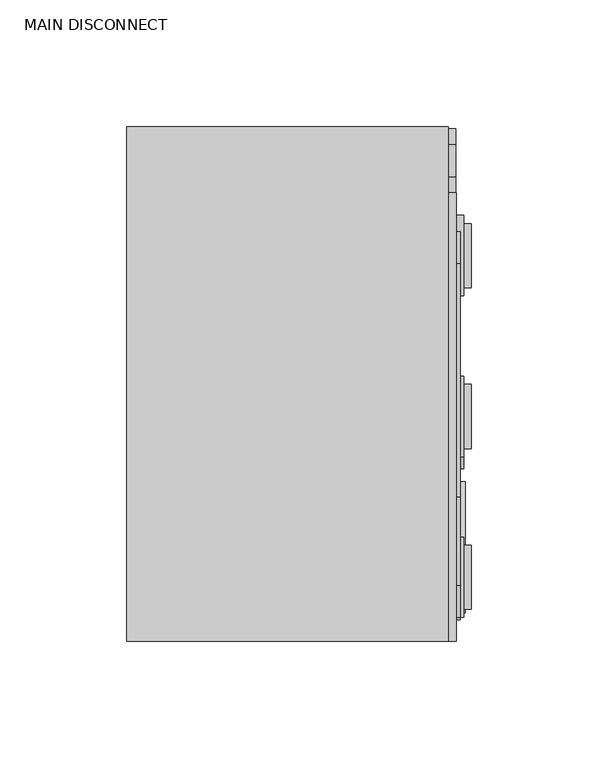
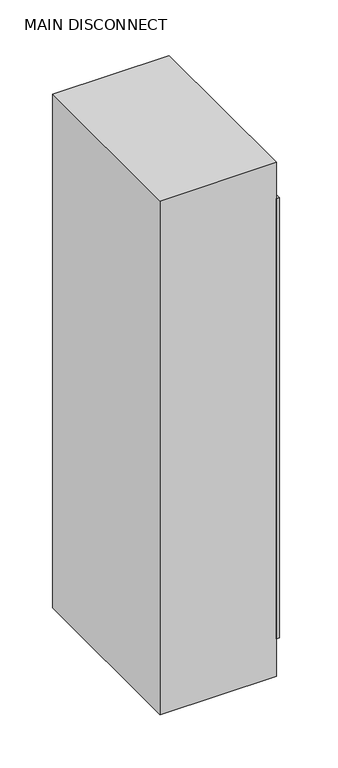
"""IFC4 building model written with IfcOpenShell, lengths in millimetres: proxy geometry, MAIN DISCONNECT."""

from ifc_helpers import new_model, si_unit, point, frame, frame_2d, origin, place, context, project, spatial, polyline, circle_curve, trimmed, segment, composite_curve, outline, extrude, source, transform, mapped, element, save


def main_disconnect_73e00d81(model_context):
    return source(origin(), model_context, "Body", "SweptSolid", [
        extrude(outline(composite_curve([segment(trimmed(circle_curve(frame_2d((95.0359845, 1472.4912783)), 6.35), [point((95.0359845, 1478.8412783))], [point((101.3859845, 1472.4912783))], False, "CARTESIAN"), True, "CONTINUOUS"), segment(polyline([(101.3859845, 1472.4912783), (101.3859845, 1434.3912783)]), True, "CONTINUOUS"), segment(trimmed(circle_curve(frame_2d((95.0359845, 1434.3912783)), 6.35), [point((101.3859845, 1434.3912783))], [point((95.0359845, 1428.0412783))], False, "CARTESIAN"), True, "CONTINUOUS"), segment(polyline([(95.0359845, 1428.0412783), (82.3359845, 1428.0412783)]), True, "CONTINUOUS"), segment(trimmed(circle_curve(frame_2d((82.3359845, 1434.3912783)), 6.35), [point((82.3359845, 1428.0412783))], [point((75.9859845, 1434.3912783))], False, "CARTESIAN"), True, "CONTINUOUS"), segment(polyline([(75.9859845, 1434.3912783), (75.9859845, 1472.4912783)]), True, "CONTINUOUS"), segment(trimmed(circle_curve(frame_2d((82.3359845, 1472.4912783)), 6.35), [point((75.9859845, 1472.4912783))], [point((82.3359845, 1478.8412783))], False, "CARTESIAN"), True, "CONTINUOUS"), segment(polyline([(82.3359845, 1478.8412783), (95.0359845, 1478.8412783)]), True, "CONTINUOUS")], self_intersect=False)), frame((117.348, 0.0, 0.0), z_axis=(1.0, 0.0, 0.0), x_axis=(0.0, 1.0, 0.0)), (0.0, 0.0, 1.0), 3.0349721),
        extrude(outline(composite_curve([segment(trimmed(circle_curve(frame_2d((117.7147493, 1240.1952866)), 144.7419511), [point((-19.0639488, 1287.5431498))], [point((-25.9770673, 1257.5991439))], True, "CARTESIAN"), True, "CONTINUOUS"), segment(polyline([(-25.9770673, 1257.5991439), (-18.0058751, 1267.0988408)]), True, "CONTINUOUS"), segment(trimmed(circle_curve(frame_2d((179.4975252, 1201.6111898)), 208.0774509), [point((-18.0058751, 1267.0988408))], [point((-26.7252518, 1229.331071))], True, "CARTESIAN"), True, "CONTINUOUS"), segment(polyline([(-26.7252518, 1229.331071), (-23.6317208, 1228.785598), (-29.5997187, 1222.3857039), (-31.4232983, 1230.1594634), (-28.808585, 1229.6984189)]), True, "CONTINUOUS"), segment(trimmed(circle_curve(frame_2d((111.3225602, 1226.8558251)), 140.1599736), [point((-28.808585, 1229.6984189))], [point((-26.5016803, 1252.3371305))], False, "CARTESIAN"), True, "CONTINUOUS"), segment(polyline([(-26.5016803, 1252.3371305), (-33.001951, 1244.9272152)]), True, "CONTINUOUS"), segment(trimmed(circle_curve(frame_2d((139.4220416, 1245.3854182)), 172.4246014), [point((-33.001951, 1244.9272152))], [point((-27.7693722, 1287.5431498))], False, "CARTESIAN"), True, "CONTINUOUS"), segment(polyline([(-27.7693722, 1287.5431498), (-19.0639488, 1287.5431498)]), True, "CONTINUOUS")], self_intersect=False)), frame((120.523, 0.0, 0.0), z_axis=(1.0, 0.0, 0.0), x_axis=(0.0, 1.0, 0.0)), (0.0, 0.0, 1.0), 3.0349721),
        extrude(outline(polyline([(122.1105, 60.6867601), (122.1105, -40.9132399), (120.523, -40.9132399), (120.523, 60.6867601), (122.1105, 60.6867601)])), frame((0.0, 0.0, 1218.1666269), z_axis=(0.0, 0.0, 1.0), x_axis=(1.0, 0.0, 0.0)), (0.0, 0.0, 1.0), 76.2),
        extrude(outline(polyline([(-89.7371396, 1150.7467846), (-63.9117703, 1195.4776364), (-38.0864009, 1150.7467846), (-89.7371396, 1150.7467846)]), holes=[polyline([(-86.9875089, 1152.3342846), (-40.8360316, 1152.3342846), (-63.9117703, 1192.3026364), (-86.9875089, 1152.3342846)])]), frame((120.523, 0.0, 0.0), z_axis=(1.0, 0.0, 0.0), x_axis=(0.0, 1.0, 0.0)), (0.0, 0.0, 1.0), 3.5043607),
        extrude(outline(composite_curve([segment(trimmed(circle_curve(frame_2d((-63.9117703, 1155.1387676)), 1.4917322), [point((-65.4035025, 1155.1387676))], [point((-62.420038, 1155.1387676))], False, "CARTESIAN"), True, "CONTINUOUS"), segment(trimmed(circle_curve(frame_2d((-63.9117703, 1155.1387676)), 1.4917322), [point((-62.420038, 1155.1387676))], [point((-65.4035025, 1155.1387676))], False, "CARTESIAN"), True, "CONTINUOUS")], self_intersect=False)), frame((120.523, 0.0, 0.0), z_axis=(1.0, 0.0, 0.0), x_axis=(0.0, 1.0, 0.0)), (0.0, 0.0, 1.0), 3.5043607),
        extrude(outline(composite_curve([segment(trimmed(circle_curve(frame_2d((-63.9117703, 1182.6735614)), 2.1742784), [point((-66.0860486, 1182.6735614))], [point((-61.7374919, 1182.6735614))], False, "CARTESIAN"), True, "CONTINUOUS"), segment(polyline([(-61.7374919, 1182.6735614), (-62.9227467, 1160.7801961)]), True, "CONTINUOUS"), segment(trimmed(circle_curve(frame_2d((-63.9117703, 1160.8337394)), 0.9904718), [point((-62.9227467, 1160.7801961))], [point((-64.9007938, 1160.7801961))], False, "CARTESIAN"), True, "CONTINUOUS"), segment(polyline([(-64.9007938, 1160.7801961), (-66.0860486, 1182.6735614)]), True, "CONTINUOUS")], self_intersect=False)), frame((120.523, 0.0, 0.0), z_axis=(1.0, 0.0, 0.0), x_axis=(0.0, 1.0, 0.0)), (0.0, 0.0, 1.0), 3.5043607),
        extrude(outline(polyline([(-63.9117703, 1198.6526364), (-35.3367703, 1149.1592846), (-92.4867703, 1149.1592846), (-63.9117703, 1198.6526364)])), frame((120.523, 0.0, 0.0), z_axis=(1.0, 0.0, 0.0), x_axis=(0.0, 1.0, 0.0)), (0.0, 0.0, 1.0), 1.5875),
        extrude(outline(polyline([(126.4248939, -63.1435414), (126.4248939, -88.5435414), (120.523, -88.5435414), (120.523, -63.1435414), (126.4248939, -63.1435414)])), frame((0.0, 0.0, 1385.9235618), z_axis=(0.0, 0.0, 1.0), x_axis=(1.0, 0.0, 0.0)), (0.0, 0.0, 1.0), 25.4),
        extrude(outline(polyline([(123.5579721, -59.9632399), (123.5579721, -91.7132399), (120.523, -91.7132399), (120.523, -59.9632399), (123.5579721, -59.9632399)])), frame((0.0, 0.0, 1383.2666269), z_axis=(0.0, 0.0, 1.0), x_axis=(1.0, 0.0, 0.0)), (0.0, 0.0, 1.0), 50.8),
        extrude(outline(polyline([(126.4248939, 0.3564586), (126.4248939, -25.0435414), (120.523, -25.0435414), (120.523, 0.3564586), (126.4248939, 0.3564586)])), frame((0.0, 0.0, 1385.9235618), z_axis=(0.0, 0.0, 1.0), x_axis=(1.0, 0.0, 0.0)), (0.0, 0.0, 1.0), 25.4),
        extrude(outline(polyline([(123.5579721, 3.5367601), (123.5579721, -28.2132399), (120.523, -28.2132399), (120.523, 3.5367601), (123.5579721, 3.5367601)])), frame((0.0, 0.0, 1383.2666269), z_axis=(0.0, 0.0, 1.0), x_axis=(1.0, 0.0, 0.0)), (0.0, 0.0, 1.0), 50.8),
        extrude(outline(polyline([(126.4248939, 63.8564586), (126.4248939, 38.4564586), (120.523, 38.4564586), (120.523, 63.8564586), (126.4248939, 63.8564586)])), frame((0.0, 0.0, 1385.9235618), z_axis=(0.0, 0.0, 1.0), x_axis=(1.0, 0.0, 0.0)), (0.0, 0.0, 1.0), 25.4),
        extrude(outline(polyline([(123.5579721, 67.0367601), (123.5579721, 35.2867601), (120.523, 35.2867601), (120.523, 67.0367601), (123.5579721, 67.0367601)])), frame((0.0, 0.0, 1383.2666269), z_axis=(0.0, 0.0, 1.0), x_axis=(1.0, 0.0, 0.0)), (0.0, 0.0, 1.0), 50.8),
        extrude(outline(polyline([(126.4248939, 63.8564586), (126.4248939, 38.4564586), (120.523, 38.4564586), (120.523, 63.8564586), (126.4248939, 63.8564586)])), frame((0.0, 0.0, 1462.1235618), z_axis=(0.0, 0.0, 1.0), x_axis=(1.0, 0.0, 0.0)), (0.0, 0.0, 1.0), 25.4),
        extrude(outline(polyline([(123.5579721, 67.0367601), (123.5579721, 35.2867601), (120.523, 35.2867601), (120.523, 67.0367601), (123.5579721, 67.0367601)])), frame((0.0, 0.0, 1459.4666269), z_axis=(0.0, 0.0, 1.0), x_axis=(1.0, 0.0, 0.0)), (0.0, 0.0, 1.0), 50.8),
        extrude(outline(polyline([(126.4248939, 0.3564586), (126.4248939, -25.0435414), (120.523, -25.0435414), (120.523, 0.3564586), (126.4248939, 0.3564586)])), frame((0.0, 0.0, 1462.1235618), z_axis=(0.0, 0.0, 1.0), x_axis=(1.0, 0.0, 0.0)), (0.0, 0.0, 1.0), 25.4),
        extrude(outline(polyline([(123.5579721, 3.5367601), (123.5579721, -28.2132399), (120.523, -28.2132399), (120.523, 3.5367601), (123.5579721, 3.5367601)])), frame((0.0, 0.0, 1459.4666269), z_axis=(0.0, 0.0, 1.0), x_axis=(1.0, 0.0, 0.0)), (0.0, 0.0, 1.0), 50.8),
        extrude(outline(polyline([(126.4248939, -63.1435414), (126.4248939, -88.5435414), (120.523, -88.5435414), (120.523, -63.1435414), (126.4248939, -63.1435414)])), frame((0.0, 0.0, 1462.1235618), z_axis=(0.0, 0.0, 1.0), x_axis=(1.0, 0.0, 0.0)), (0.0, 0.0, 1.0), 25.4),
        extrude(outline(polyline([(123.5579721, -59.9632399), (123.5579721, -91.7132399), (120.523, -91.7132399), (120.523, -59.9632399), (123.5579721, -59.9632399)])), frame((0.0, 0.0, 1459.4666269), z_axis=(0.0, 0.0, 1.0), x_axis=(1.0, 0.0, 0.0)), (0.0, 0.0, 1.0), 50.8),
        extrude(outline(composite_curve([segment(polyline([(-44.0882399, 1589.6416269), (-44.0882399, 1640.4416269), (47.9867601, 1640.4416269)]), True, "CONTINUOUS"), segment(trimmed(circle_curve(frame_2d((47.9867601, 1627.7416269)), 12.7), [point((47.9867601, 1640.4416269))], [point((60.6867601, 1627.7416269))], False, "CARTESIAN"), True, "CONTINUOUS"), segment(polyline([(60.6867601, 1627.7416269), (60.6867601, 1602.3416269)]), True, "CONTINUOUS"), segment(trimmed(circle_curve(frame_2d((47.9867601, 1602.3416269)), 12.7), [point((60.6867601, 1602.3416269))], [point((47.9867601, 1589.6416269))], False, "CARTESIAN"), True, "CONTINUOUS"), segment(polyline([(47.9867601, 1589.6416269), (-44.0882399, 1589.6416269)]), True, "CONTINUOUS")], self_intersect=False)), frame((120.523, 0.0, 0.0), z_axis=(1.0, 0.0, 0.0), x_axis=(0.0, 1.0, 0.0)), (0.0, 0.0, 1.0), 1.5875),
        extrude(outline(composite_curve([segment(polyline([(-44.0882399, 1589.6416269), (-79.0132399, 1589.6416269)]), True, "CONTINUOUS"), segment(trimmed(circle_curve(frame_2d((-79.0132399, 1602.3416269)), 12.7), [point((-79.0132399, 1589.6416269))], [point((-91.7132399, 1602.3416269))], False, "CARTESIAN"), True, "CONTINUOUS"), segment(polyline([(-91.7132399, 1602.3416269), (-91.7132399, 1627.7416269)]), True, "CONTINUOUS"), segment(trimmed(circle_curve(frame_2d((-79.0132399, 1627.7416269)), 12.7), [point((-91.7132399, 1627.7416269))], [point((-79.0132399, 1640.4416269))], False, "CARTESIAN"), True, "CONTINUOUS"), segment(polyline([(-79.0132399, 1640.4416269), (-44.0882399, 1640.4416269), (-44.0882399, 1589.6416269)]), True, "CONTINUOUS")], self_intersect=False)), frame((120.523, 0.0, 0.0), z_axis=(1.0, 0.0, 0.0), x_axis=(0.0, 1.0, 0.0)), (0.0, 0.0, 1.0), 1.5875),
        extrude(outline(polyline([(120.523, 75.9343596), (120.523, -101.0986765), (117.348, -101.0986765), (117.348, 75.9343596), (120.523, 75.9343596)])), frame((0.0, 0.0, 1143.0), z_axis=(0.0, 0.0, 1.0), x_axis=(1.0, 0.0, 0.0)), (0.0, 0.0, 1.0), 508.0),
        extrude(outline(polyline([(117.348, -101.0986765), (-9.652, -101.0986765), (-9.652, 102.1013235), (117.348, 102.1013235), (117.348, -101.0986765)])), frame((0.0, 0.0, 1099.9383135), z_axis=(0.0, 0.0, 1.0), x_axis=(1.0, 0.0, 0.0)), (0.0, 0.0, 1.0), 593.09),
    ])


if __name__ == "__main__":
    model = new_model("IFC4")
    model_context = context("Model", 3, world=origin())
    ifc_project = project(units=[si_unit("LENGTHUNIT", "METRE", prefix="MILLI")], contexts=[model_context])
    site = spatial("IfcSite", under=ifc_project)
    building = spatial("IfcBuilding", under=site)
    placement = place(None, origin())
    main_disconnect_shape = main_disconnect_73e00d81(model_context)
    element("IfcBuildingElementProxy", 1, Name="MAIN DISCONNECT", ObjectType="MAIN DISCONNECT", at=placement, inside=building, context=model_context, shape_type="MappedRepresentation", body=[
        mapped(main_disconnect_shape, transform((0.0, 0.0, 0.0), x_axis=(1.0, 0.0, 0.0), y_axis=(0.0, 1.0, 0.0), z_axis=(0.0, 0.0, 1.0))),
    ])
    save(model, "model.ifc")
